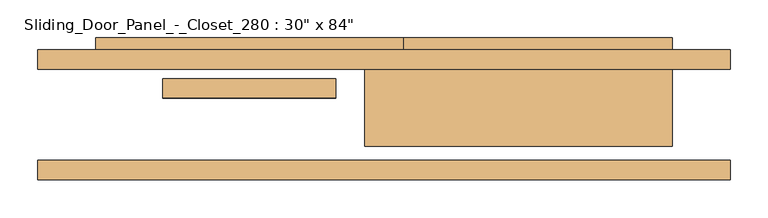
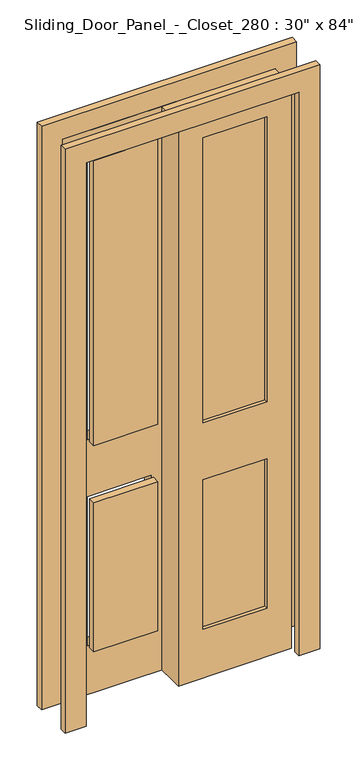
"""IFC4 building model written with IfcOpenShell, lengths in millimetres: door geometry."""

import ifcopenshell
import ifcopenshell.guid

model = None  # the IFC model being written
_history = None  # IfcOwnerHistory: only IFC2X3 demands one
_inside = {}  # id of a spatial element -> (the spatial element, [elements in it])
_under = {}  # id of a project, library or spatial element -> (it, [spatial elements below it])
_declared = {}  # id of a project -> (the project, [libraries it declares])
_typed = {}  # id of a type object -> (the type object, [elements of that type])
_made_of = {}  # id of a material, layer set ... -> (it, [elements and type objects made of it])


def new_model(schema):
    """Start an empty IFC model of exactly this schema.

    Asked for "IFC4X3", IfcOpenShell would pick the latest addendum, in which some entities
    have other attributes; the version numbers below select the first issue.
    IFC2X3 requires an IfcOwnerHistory on every rooted entity: one is made here for all.
    """
    global model, _history
    if schema == "IFC4X3":
        model = ifcopenshell.file(schema_version=(4, 3, 0, 0))
    else:
        model = ifcopenshell.file(schema=schema)
    _inside.clear()
    _under.clear()
    _declared.clear()
    _typed.clear()
    _made_of.clear()
    _history = None
    if model.schema == "IFC2X3":
        org = make("IfcOrganization", Name="unknown")
        user = make(
            "IfcPersonAndOrganization",
            ThePerson=make("IfcPerson", FamilyName="unknown"),
            TheOrganization=org,
        )
        app = make(
            "IfcApplication",
            ApplicationDeveloper=org,
            Version="unknown",
            ApplicationFullName="unknown",
            ApplicationIdentifier="unknown",
        )
        _history = make(
            "IfcOwnerHistory",
            OwningUser=user,
            OwningApplication=app,
            ChangeAction="ADDED",
            CreationDate=0,
        )
    return model


def make(cls, **values):
    """One entity of the class cls with the attributes given. An attribute that is None is left unset."""
    return model.create_entity(
        cls, **{name: value for name, value in values.items() if value is not None}
    )


def rooted(cls, **values):
    """An entity with a GlobalId (a new one), such as an element, a storey or a relation."""
    return make(cls, GlobalId=ifcopenshell.guid.new(), OwnerHistory=_history, **values)


def si_unit(unit_type, name, prefix=None):
    """IfcSIUnit, for example si_unit("LENGTHUNIT", "METRE", prefix="MILLI")."""
    return make("IfcSIUnit", UnitType=unit_type, Prefix=prefix, Name=name)


def assignment(units):
    """IfcUnitAssignment: the units of a project."""
    return None if units is None else make("IfcUnitAssignment", Units=units)


def point(xyz):
    """IfcCartesianPoint."""
    return None if xyz is None else make("IfcCartesianPoint", Coordinates=xyz)


def direction(xyz):
    """IfcDirection."""
    return None if xyz is None else make("IfcDirection", DirectionRatios=xyz)


def frame(location, z_axis=None, x_axis=None):
    """IfcAxis2Placement3D, a coordinate frame: its origin and axes. An axis left out is left unset."""
    return make(
        "IfcAxis2Placement3D",
        Location=point(location),
        Axis=direction(z_axis),
        RefDirection=direction(x_axis),
    )


def origin():
    """The frame at (0, 0, 0) with its axes left unset."""
    return frame((0.0, 0.0, 0.0))


def place(relative_to, where):
    """IfcLocalPlacement: puts the frame where relative to a parent placement (None: the world)."""
    return make(
        "IfcLocalPlacement", PlacementRelTo=relative_to, RelativePlacement=where
    )


def context(
    kind, dimensions, precision=None, world=None, true_north=None, identifier=None
):
    """IfcGeometricRepresentationContext, for example the 3D "Model" context."""
    return make(
        "IfcGeometricRepresentationContext",
        ContextIdentifier=identifier,
        ContextType=kind,
        CoordinateSpaceDimension=dimensions,
        Precision=precision,
        WorldCoordinateSystem=world,
        TrueNorth=true_north,
    )


def project(units=None, contexts=None):
    """IfcProject with its units and contexts."""
    return rooted(
        "IfcProject",
        Name="project",
        RepresentationContexts=contexts,
        UnitsInContext=assignment(units),
    )


def spatial(cls, under=None, at=None, **own):
    """A site, building, storey or space (cls), placed at a placement, below another one or the project."""
    s = rooted(cls, ObjectPlacement=at, **own)
    if under is not None:
        _under.setdefault(under.id(), (under, []))[1].append(s)
    return s


def polyline(points):
    """IfcPolyline through the points."""
    return make("IfcPolyline", Points=[point(p) for p in points])


def outline(outer, holes=None, kind="AREA"):
    """IfcArbitraryClosedProfileDef: a profile drawn as a closed curve; with holes, ...WithVoids."""
    if holes is None:
        return make("IfcArbitraryClosedProfileDef", ProfileType=kind, OuterCurve=outer)
    return make(
        "IfcArbitraryProfileDefWithVoids",
        ProfileType=kind,
        OuterCurve=outer,
        InnerCurves=holes,
    )


def extrude(swept, where, along, depth):
    """IfcExtrudedAreaSolid: the profile swept, set in the frame where, extruded along a direction by depth."""
    return make(
        "IfcExtrudedAreaSolid",
        SweptArea=swept,
        Position=where,
        ExtrudedDirection=direction(along),
        Depth=depth,
    )


def shape(context_of_items, identifier, shape_type, items):
    """IfcShapeRepresentation: the items that make up one representation, for example the "Body"."""
    return make(
        "IfcShapeRepresentation",
        ContextOfItems=context_of_items,
        RepresentationIdentifier=identifier,
        RepresentationType=shape_type,
        Items=items,
    )


def source(mapping_origin, context_of_items, identifier, shape_type, items):
    """IfcRepresentationMap: a shape defined once, which mapped items show again and again."""
    return make(
        "IfcRepresentationMap",
        MappingOrigin=mapping_origin,
        MappedRepresentation=shape(context_of_items, identifier, shape_type, items),
    )


def transform(
    local_origin,
    x_axis=None,
    y_axis=None,
    z_axis=None,
    scale=None,
    scale2=None,
    scale3=None,
    uniform=True,
):
    """IfcCartesianTransformationOperator3D, or its non-uniform kind. x_axis, y_axis, z_axis: its Axis1, 2, 3."""
    if uniform:
        return make(
            "IfcCartesianTransformationOperator3D",
            Axis1=direction(x_axis),
            Axis2=direction(y_axis),
            LocalOrigin=point(local_origin),
            Scale=scale,
            Axis3=direction(z_axis),
        )
    return make(
        "IfcCartesianTransformationOperator3DnonUniform",
        Axis1=direction(x_axis),
        Axis2=direction(y_axis),
        LocalOrigin=point(local_origin),
        Scale=scale,
        Axis3=direction(z_axis),
        Scale2=scale2,
        Scale3=scale3,
    )


def mapped(mapping_source, mapping_target):
    """IfcMappedItem: shows the shape of a source again, moved by a transform."""
    return make(
        "IfcMappedItem", MappingSource=mapping_source, MappingTarget=mapping_target
    )


def made_of(thing, what):
    """Note that an element or type object is made of a material, layer set ...; save() writes the relation."""
    if what is not None:
        _made_of.setdefault(what.id(), (what, []))[1].append(thing)
    return thing


def element(
    cls,
    number,
    at=None,
    inside=None,
    cuts=None,
    type_object=None,
    material=None,
    context=None,
    identifier="Body",
    shape_type=None,
    held_by="IfcProductDefinitionShape",
    body=None,
    shapes=None,
    **own,
):
    """One element of the class cls, such as IfcWall. Its Tag is "e" and its number.

    at: its placement. inside: the storey or other place that contains it. cuts: it is an
    opening in that element (IfcRelVoidsElement). A single representation is given by context,
    identifier, shape_type and body (its items); several are given by shapes. held_by: the class
    of the entity that holds the representations. save() writes the other relations.
    """
    e = rooted(cls, Tag="e%d" % number, ObjectPlacement=at, **own)
    if body is not None:
        shapes = [shape(context, identifier, shape_type, body)]
    if shapes is not None:
        e.Representation = make(held_by, Representations=shapes)
    if inside is not None:
        _inside.setdefault(inside.id(), (inside, []))[1].append(e)
    if cuts is not None:
        rooted(
            "IfcRelVoidsElement", RelatingBuildingElement=cuts, RelatedOpeningElement=e
        )
    if type_object is not None:
        _typed.setdefault(type_object.id(), (type_object, []))[1].append(e)
    return made_of(e, material)


def aggregate(whole, parts):
    """IfcRelAggregates: a whole, such as a stair, and the parts it consists of."""
    return rooted("IfcRelAggregates", RelatingObject=whole, RelatedObjects=parts)


def save(model, path):
    """Write the relations noted so far, then the file.

    IfcRelAggregates (storeys below a building ...), IfcRelContainedInSpatialStructure (elements
    in a storey), IfcRelDefinesByType, IfcRelAssociatesMaterial and IfcRelDeclares: one each for
    every whole, place, type object, material and project.
    """
    for whole, parts in _under.values():
        aggregate(whole, parts)
    for where, things in _inside.values():
        rooted(
            "IfcRelContainedInSpatialStructure",
            RelatedElements=things,
            RelatingStructure=where,
        )
    for kind, things in _typed.values():
        rooted("IfcRelDefinesByType", RelatedObjects=things, RelatingType=kind)
    for what, things in _made_of.values():
        rooted("IfcRelAssociatesMaterial", RelatedObjects=things, RelatingMaterial=what)
    for by, libraries in _declared.values():
        rooted("IfcRelDeclares", RelatingContext=by, RelatedDefinitions=libraries)
    model.write(path)


def door_6cf4577d(model_context):
    return source(origin(), model_context, "Body", "SweptSolid", [
        extrude(outline(polyline([(63.5, 123.825), (292.1, 123.825), (292.1, 98.425), (63.5, 98.425), (63.5, 123.825)])), frame((0.0, 0.0, 965.2), z_axis=(0.0, 0.0, 1.0), x_axis=(1.0, 0.0, 0.0)), (0.0, 0.0, 1.0), 1079.5),
        extrude(outline(polyline([(63.5, 123.825), (292.1, 123.825), (292.1, 98.425), (63.5, 98.425), (63.5, 123.825)])), frame((0.0, 0.0, 184.15), z_axis=(0.0, 0.0, 1.0), x_axis=(1.0, 0.0, 0.0)), (0.0, 0.0, 1.0), 565.15),
        extrude(outline(polyline([(-292.1, 174.625), (-63.5, 174.625), (-63.5, 149.225), (-292.1, 149.225), (-292.1, 174.625)])), frame((0.0, 0.0, 965.2), z_axis=(0.0, 0.0, 1.0), x_axis=(1.0, 0.0, 0.0)), (0.0, 0.0, 1.0), 1079.5),
        extrude(outline(polyline([(-292.1, 174.625), (-63.5, 174.625), (-63.5, 149.225), (-292.1, 149.225), (-292.1, 174.625)])), frame((0.0, 0.0, 184.15), z_axis=(0.0, 0.0, 1.0), x_axis=(1.0, 0.0, 0.0)), (0.0, 0.0, 1.0), 565.15),
        extrude(outline(polyline([(2133.6, 25.4), (2133.6, -381.0), (0.0, -381.0), (0.0, 25.4), (2133.6, 25.4)]), holes=[polyline([(184.15, -292.1), (749.3, -292.1), (749.3, -63.5), (184.15, -63.5), (184.15, -292.1)]), polyline([(965.2, -292.1), (2044.7, -292.1), (2044.7, -63.5), (965.2, -63.5), (965.2, -292.1)])]), frame((0.0, 187.325, 0.0), z_axis=(0.0, 1.0, 0.0), x_axis=(0.0, 0.0, 1.0)), (0.0, 0.0, 1.0), 41.275),
        extrude(outline(polyline([(0.0, -457.2), (0.0, -381.0), (2133.6, -381.0), (2133.6, 381.0), (0.0, 381.0), (0.0, 457.2), (2209.8, 457.2), (2209.8, -457.2), (0.0, -457.2)])), frame((0.0, 41.275, 0.0), z_axis=(0.0, 1.0, 0.0), x_axis=(0.0, 0.0, 1.0)), (0.0, 0.0, 1.0), 25.4),
        extrude(outline(polyline([(0.0, 457.2), (2209.8, 457.2), (2209.8, -457.2), (0.0, -457.2), (0.0, -381.0), (2133.6, -381.0), (2133.6, 381.0), (0.0, 381.0), (0.0, 457.2)])), frame((0.0, 187.325, 0.0), z_axis=(0.0, 1.0, 0.0), x_axis=(0.0, 0.0, 1.0)), (0.0, 0.0, 1.0), 25.4),
        extrude(outline(polyline([(2133.6, -25.4), (0.0, -25.4), (0.0, 381.0), (2133.6, 381.0), (2133.6, -25.4)]), holes=[polyline([(965.2, 292.1), (965.2, 63.5), (2044.7, 63.5), (2044.7, 292.1), (965.2, 292.1)]), polyline([(184.15, 292.1), (184.15, 63.5), (749.3, 63.5), (749.3, 292.1), (184.15, 292.1)])]), frame((0.0, 85.725, 0.0), z_axis=(0.0, 1.0, 0.0), x_axis=(0.0, 0.0, 1.0)), (0.0, 0.0, 1.0), 142.875),
    ])


if __name__ == "__main__":
    model = new_model("IFC4")
    model_context = context("Model", 3, world=origin())
    ifc_project = project(units=[si_unit("LENGTHUNIT", "METRE", prefix="MILLI")], contexts=[model_context])
    site = spatial("IfcSite", under=ifc_project)
    building = spatial("IfcBuilding", under=site)
    placement = place(None, origin())
    door_shape = door_6cf4577d(model_context)
    element("IfcDoor", 1, ObjectType="Sliding_Door_Panel_-_Closet_280 : 30\" x 84\"", at=placement, inside=building, context=model_context, shape_type="MappedRepresentation", body=[
        mapped(door_shape, transform((0.0, 0.0, 0.0), x_axis=(1.0, 0.0, 0.0), y_axis=(0.0, 1.0, 0.0), z_axis=(0.0, 0.0, 1.0))),
    ])
    save(model, "model.ifc")
